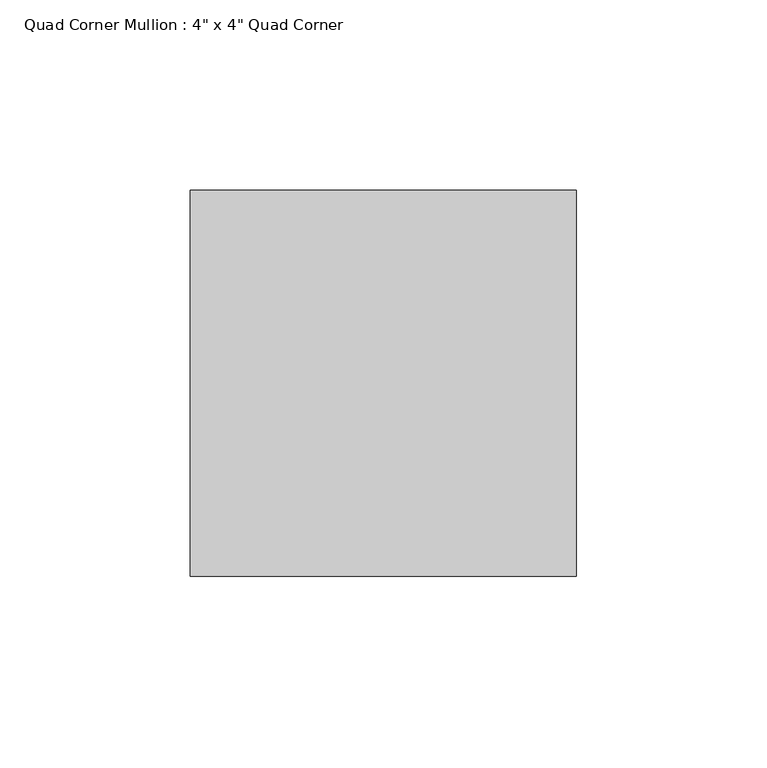
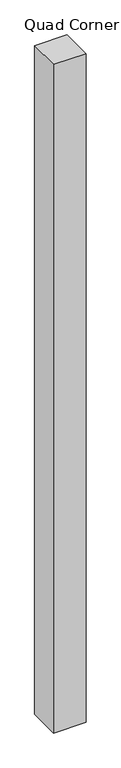
"""IFC4 building model written with IfcOpenShell, lengths in millimetres: member geometry."""

from ifc_helpers import new_model, si_unit, frame, origin, place, context, project, spatial, polyline, outline, extrude, source, transform, mapped, element, save


def member_c1d38587(model_context):
    return source(origin(), model_context, "Body", "SweptSolid", [
        extrude(outline(polyline([(50.8, 50.8), (50.8, -50.8), (-50.8, -50.8), (-50.8, 50.8), (50.8, 50.8)])), frame((0.0, 0.0, -2209.8), z_axis=(0.0, 0.0, 1.0), x_axis=(1.0, 0.0, 0.0)), (0.0, 0.0, 1.0), 2209.8),
    ])


if __name__ == "__main__":
    model = new_model("IFC4")
    model_context = context("Model", 3, world=origin())
    ifc_project = project(units=[si_unit("LENGTHUNIT", "METRE", prefix="MILLI")], contexts=[model_context])
    site = spatial("IfcSite", under=ifc_project)
    building = spatial("IfcBuilding", under=site)
    placement = place(None, origin())
    member_shape = member_c1d38587(model_context)
    element("IfcMember", 1, ObjectType="Quad Corner Mullion : 4\" x 4\" Quad Corner", at=placement, inside=building, context=model_context, shape_type="MappedRepresentation", body=[
        mapped(member_shape, transform((0.0, 0.0, 0.0), x_axis=(1.0, 0.0, 0.0), y_axis=(0.0, 1.0, 0.0), z_axis=(0.0, 0.0, 1.0))),
    ])
    save(model, "model.ifc")
